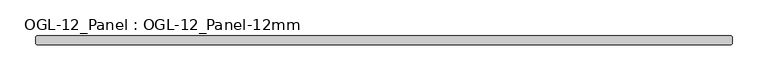
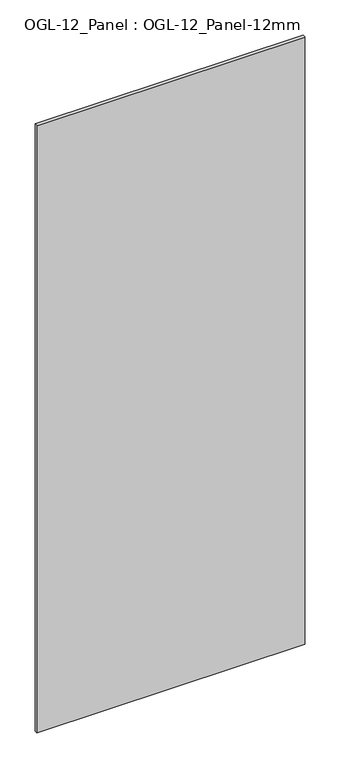
"""IFC4 building model written with IfcOpenShell, lengths in millimetres: plate geometry, OGL-12_Panel : OGL-12_Panel-12mm."""

from ifc_helpers import new_model, si_unit, origin, origin_with_axes, place, context, project, spatial, polyline, outline, extrude, source, transform, mapped, element, save


def ogl_12_panel_ogl_12_panel_12mm_c75e55f9(model_context):
    return source(origin(), model_context, "Body", "SweptSolid", [
        extrude(outline(polyline([(486.9678624, 34.925), (488.5553624, 33.3375), (488.5553624, 23.8125), (486.9678624, 22.225), (-486.9678624, 22.225), (-488.5553624, 23.8125), (-488.5553624, 33.3375), (-486.9678624, 34.925), (486.9678624, 34.925)])), origin_with_axes(), (0.0, 0.0, 1.0), 2339.914687),
    ])


if __name__ == "__main__":
    model = new_model("IFC4")
    model_context = context("Model", 3, world=origin())
    ifc_project = project(units=[si_unit("LENGTHUNIT", "METRE", prefix="MILLI")], contexts=[model_context])
    site = spatial("IfcSite", under=ifc_project)
    building = spatial("IfcBuilding", under=site)
    placement = place(None, origin())
    ogl_12_panel_ogl_12_panel_12mm_shape = ogl_12_panel_ogl_12_panel_12mm_c75e55f9(model_context)
    element("IfcPlate", 1, ObjectType="OGL-12_Panel : OGL-12_Panel-12mm", at=placement, inside=building, context=model_context, shape_type="MappedRepresentation", body=[
        mapped(ogl_12_panel_ogl_12_panel_12mm_shape, transform((0.0, 0.0, 0.0), x_axis=(1.0, 0.0, 0.0), y_axis=(0.0, 1.0, 0.0), z_axis=(0.0, 0.0, 1.0))),
    ])
    save(model, "model.ifc")
